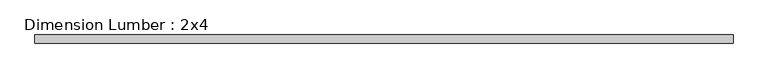
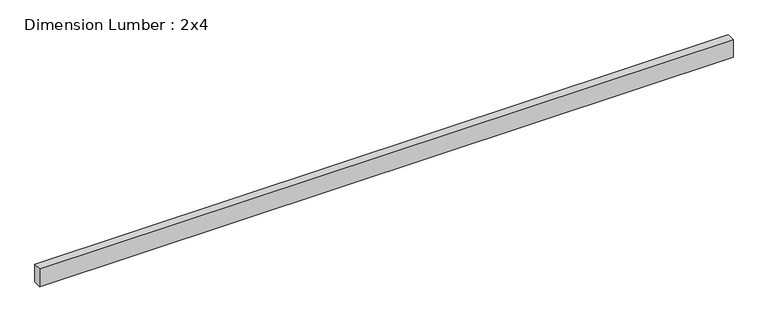
"""IFC4 building model written with IfcOpenShell, lengths in millimetres: beam geometry, Dimension Lumber : 2x4."""

from ifc_helpers import new_model, si_unit, frame, origin, place, context, project, spatial, polyline, outline, extrude, source, transform, mapped, element, save


def dimension_lumber_2x4_25b1fa53(model_context):
    return source(origin(), model_context, "Body", "SweptSolid", [
        extrude(outline(polyline([(1701.00625, 19.05), (1701.00625, -19.05), (-1557.9711526, -19.05), (-1557.9711526, 19.05), (1701.00625, 19.05)])), frame((0.0, 0.0, -44.45), z_axis=(0.0, 0.0, 1.0), x_axis=(1.0, 0.0, 0.0)), (0.0, 0.0, 1.0), 88.9),
    ])


if __name__ == "__main__":
    model = new_model("IFC4")
    model_context = context("Model", 3, world=origin())
    ifc_project = project(units=[si_unit("LENGTHUNIT", "METRE", prefix="MILLI")], contexts=[model_context])
    site = spatial("IfcSite", under=ifc_project)
    building = spatial("IfcBuilding", under=site)
    placement = place(None, origin())
    dimension_lumber_2x4_shape = dimension_lumber_2x4_25b1fa53(model_context)
    element("IfcBeam", 1, ObjectType="Dimension Lumber : 2x4", at=placement, inside=building, context=model_context, shape_type="MappedRepresentation", body=[
        mapped(dimension_lumber_2x4_shape, transform((0.0, 0.0, 0.0), x_axis=(1.0, 0.0, 0.0), y_axis=(0.0, 1.0, 0.0), z_axis=(0.0, 0.0, 1.0))),
    ])
    save(model, "model.ifc")
